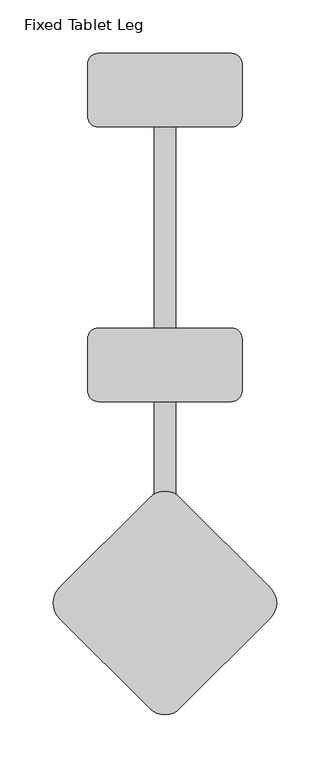
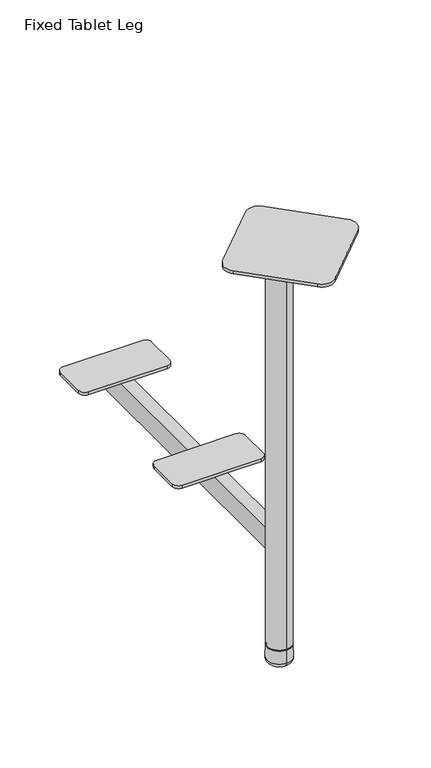
"""IFC4 building model written with IfcOpenShell, lengths in millimetres: furniture geometry, Fixed Tablet Leg."""

import ifcopenshell
import ifcopenshell.guid

model = None  # the IFC model being written
_history = None  # IfcOwnerHistory: only IFC2X3 demands one
_inside = {}  # id of a spatial element -> (the spatial element, [elements in it])
_under = {}  # id of a project, library or spatial element -> (it, [spatial elements below it])
_declared = {}  # id of a project -> (the project, [libraries it declares])
_typed = {}  # id of a type object -> (the type object, [elements of that type])
_made_of = {}  # id of a material, layer set ... -> (it, [elements and type objects made of it])


def new_model(schema):
    """Start an empty IFC model of exactly this schema.

    Asked for "IFC4X3", IfcOpenShell would pick the latest addendum, in which some entities
    have other attributes; the version numbers below select the first issue.
    IFC2X3 requires an IfcOwnerHistory on every rooted entity: one is made here for all.
    """
    global model, _history
    if schema == "IFC4X3":
        model = ifcopenshell.file(schema_version=(4, 3, 0, 0))
    else:
        model = ifcopenshell.file(schema=schema)
    _inside.clear()
    _under.clear()
    _declared.clear()
    _typed.clear()
    _made_of.clear()
    _history = None
    if model.schema == "IFC2X3":
        org = make("IfcOrganization", Name="unknown")
        user = make(
            "IfcPersonAndOrganization",
            ThePerson=make("IfcPerson", FamilyName="unknown"),
            TheOrganization=org,
        )
        app = make(
            "IfcApplication",
            ApplicationDeveloper=org,
            Version="unknown",
            ApplicationFullName="unknown",
            ApplicationIdentifier="unknown",
        )
        _history = make(
            "IfcOwnerHistory",
            OwningUser=user,
            OwningApplication=app,
            ChangeAction="ADDED",
            CreationDate=0,
        )
    return model


def make(cls, **values):
    """One entity of the class cls with the attributes given. An attribute that is None is left unset."""
    return model.create_entity(
        cls, **{name: value for name, value in values.items() if value is not None}
    )


def rooted(cls, **values):
    """An entity with a GlobalId (a new one), such as an element, a storey or a relation."""
    return make(cls, GlobalId=ifcopenshell.guid.new(), OwnerHistory=_history, **values)


def si_unit(unit_type, name, prefix=None):
    """IfcSIUnit, for example si_unit("LENGTHUNIT", "METRE", prefix="MILLI")."""
    return make("IfcSIUnit", UnitType=unit_type, Prefix=prefix, Name=name)


def assignment(units):
    """IfcUnitAssignment: the units of a project."""
    return None if units is None else make("IfcUnitAssignment", Units=units)


def point(xyz):
    """IfcCartesianPoint."""
    return None if xyz is None else make("IfcCartesianPoint", Coordinates=xyz)


def direction(xyz):
    """IfcDirection."""
    return None if xyz is None else make("IfcDirection", DirectionRatios=xyz)


def frame(location, z_axis=None, x_axis=None):
    """IfcAxis2Placement3D, a coordinate frame: its origin and axes. An axis left out is left unset."""
    return make(
        "IfcAxis2Placement3D",
        Location=point(location),
        Axis=direction(z_axis),
        RefDirection=direction(x_axis),
    )


def origin():
    """The frame at (0, 0, 0) with its axes left unset."""
    return frame((0.0, 0.0, 0.0))


def place(relative_to, where):
    """IfcLocalPlacement: puts the frame where relative to a parent placement (None: the world)."""
    return make(
        "IfcLocalPlacement", PlacementRelTo=relative_to, RelativePlacement=where
    )


def context(
    kind, dimensions, precision=None, world=None, true_north=None, identifier=None
):
    """IfcGeometricRepresentationContext, for example the 3D "Model" context."""
    return make(
        "IfcGeometricRepresentationContext",
        ContextIdentifier=identifier,
        ContextType=kind,
        CoordinateSpaceDimension=dimensions,
        Precision=precision,
        WorldCoordinateSystem=world,
        TrueNorth=true_north,
    )


def project(units=None, contexts=None):
    """IfcProject with its units and contexts."""
    return rooted(
        "IfcProject",
        Name="project",
        RepresentationContexts=contexts,
        UnitsInContext=assignment(units),
    )


def spatial(cls, under=None, at=None, **own):
    """A site, building, storey or space (cls), placed at a placement, below another one or the project."""
    s = rooted(cls, ObjectPlacement=at, **own)
    if under is not None:
        _under.setdefault(under.id(), (under, []))[1].append(s)
    return s


def polyline(points):
    """IfcPolyline through the points."""
    return make("IfcPolyline", Points=[point(p) for p in points])


def circle_curve(where, radius):
    """IfcCircle in the frame where."""
    return make("IfcCircle", Position=where, Radius=radius)


def ellipse_curve(where, semi_axis1, semi_axis2):
    """IfcEllipse in the frame where."""
    return make(
        "IfcEllipse", Position=where, SemiAxis1=semi_axis1, SemiAxis2=semi_axis2
    )


def trimmed(basis, trim1, trim2, sense, master):
    """IfcTrimmedCurve: the piece of a basis curve between two trims."""
    return make(
        "IfcTrimmedCurve",
        BasisCurve=basis,
        Trim1=trim1,
        Trim2=trim2,
        SenseAgreement=sense,
        MasterRepresentation=master,
    )


def shape(context_of_items, identifier, shape_type, items):
    """IfcShapeRepresentation: the items that make up one representation, for example the "Body"."""
    return make(
        "IfcShapeRepresentation",
        ContextOfItems=context_of_items,
        RepresentationIdentifier=identifier,
        RepresentationType=shape_type,
        Items=items,
    )


def source(mapping_origin, context_of_items, identifier, shape_type, items):
    """IfcRepresentationMap: a shape defined once, which mapped items show again and again."""
    return make(
        "IfcRepresentationMap",
        MappingOrigin=mapping_origin,
        MappedRepresentation=shape(context_of_items, identifier, shape_type, items),
    )


def transform(
    local_origin,
    x_axis=None,
    y_axis=None,
    z_axis=None,
    scale=None,
    scale2=None,
    scale3=None,
    uniform=True,
):
    """IfcCartesianTransformationOperator3D, or its non-uniform kind. x_axis, y_axis, z_axis: its Axis1, 2, 3."""
    if uniform:
        return make(
            "IfcCartesianTransformationOperator3D",
            Axis1=direction(x_axis),
            Axis2=direction(y_axis),
            LocalOrigin=point(local_origin),
            Scale=scale,
            Axis3=direction(z_axis),
        )
    return make(
        "IfcCartesianTransformationOperator3DnonUniform",
        Axis1=direction(x_axis),
        Axis2=direction(y_axis),
        LocalOrigin=point(local_origin),
        Scale=scale,
        Axis3=direction(z_axis),
        Scale2=scale2,
        Scale3=scale3,
    )


def mapped(mapping_source, mapping_target):
    """IfcMappedItem: shows the shape of a source again, moved by a transform."""
    return make(
        "IfcMappedItem", MappingSource=mapping_source, MappingTarget=mapping_target
    )


def made_of(thing, what):
    """Note that an element or type object is made of a material, layer set ...; save() writes the relation."""
    if what is not None:
        _made_of.setdefault(what.id(), (what, []))[1].append(thing)
    return thing


def element(
    cls,
    number,
    at=None,
    inside=None,
    cuts=None,
    type_object=None,
    material=None,
    context=None,
    identifier="Body",
    shape_type=None,
    held_by="IfcProductDefinitionShape",
    body=None,
    shapes=None,
    **own,
):
    """One element of the class cls, such as IfcWall. Its Tag is "e" and its number.

    at: its placement. inside: the storey or other place that contains it. cuts: it is an
    opening in that element (IfcRelVoidsElement). A single representation is given by context,
    identifier, shape_type and body (its items); several are given by shapes. held_by: the class
    of the entity that holds the representations. save() writes the other relations.
    """
    e = rooted(cls, Tag="e%d" % number, ObjectPlacement=at, **own)
    if body is not None:
        shapes = [shape(context, identifier, shape_type, body)]
    if shapes is not None:
        e.Representation = make(held_by, Representations=shapes)
    if inside is not None:
        _inside.setdefault(inside.id(), (inside, []))[1].append(e)
    if cuts is not None:
        rooted(
            "IfcRelVoidsElement", RelatingBuildingElement=cuts, RelatedOpeningElement=e
        )
    if type_object is not None:
        _typed.setdefault(type_object.id(), (type_object, []))[1].append(e)
    return made_of(e, material)


def aggregate(whole, parts):
    """IfcRelAggregates: a whole, such as a stair, and the parts it consists of."""
    return rooted("IfcRelAggregates", RelatingObject=whole, RelatedObjects=parts)


def save(model, path):
    """Write the relations noted so far, then the file.

    IfcRelAggregates (storeys below a building ...), IfcRelContainedInSpatialStructure (elements
    in a storey), IfcRelDefinesByType, IfcRelAssociatesMaterial and IfcRelDeclares: one each for
    every whole, place, type object, material and project.
    """
    for whole, parts in _under.values():
        aggregate(whole, parts)
    for where, things in _inside.values():
        rooted(
            "IfcRelContainedInSpatialStructure",
            RelatedElements=things,
            RelatingStructure=where,
        )
    for kind, things in _typed.values():
        rooted("IfcRelDefinesByType", RelatedObjects=things, RelatingType=kind)
    for what, things in _made_of.values():
        rooted("IfcRelAssociatesMaterial", RelatedObjects=things, RelatingMaterial=what)
    for by, libraries in _declared.values():
        rooted("IfcRelDeclares", RelatingContext=by, RelatedDefinitions=libraries)
    model.write(path)


def plane_surface(at):
    """IfcPlane: the flat surface through the origin of the frame at, square to its z axis."""
    return make("IfcPlane", Position=at)


def cylinder_surface(at, radius):
    """IfcCylindricalSurface: all points at the distance radius from the z axis of the frame at."""
    return make("IfcCylindricalSurface", Position=at, Radius=radius)


def revolved_surface(curve, axis_point, axis_direction):
    """IfcSurfaceOfRevolution: the curve turned about the line through axis_point along axis_direction."""
    return make(
        "IfcSurfaceOfRevolution",
        SweptCurve=make("IfcArbitraryOpenProfileDef", ProfileType="CURVE", Curve=curve),
        AxisPosition=make("IfcAxis1Placement", Location=point(axis_point), Axis=direction(axis_direction)),
    )


def advanced_brep(points, edges, surfaces, faces):
    """IfcAdvancedBrep: a solid bounded by faces that lie on surfaces and meet in shared edges.

    An edge is (start, end): straight between two places in points (the first is 0);
    or (start, end, curve); or (start, end, curve, False) where it runs against its curve.
    A face is (place in surfaces, loops), or (place, loops, False) where it looks against
    its surface's normal. A loop lists edges by number (the first is 1), with a minus sign
    where the edge is run from its end to its start. The first loop is the outer one.
    """
    corners = [point(p) for p in points]
    vertices = [make("IfcVertexPoint", VertexGeometry=c) for c in corners]
    made = []
    for start, end, *more in edges:
        made.append(
            make(
                "IfcEdgeCurve",
                EdgeStart=vertices[start],
                EdgeEnd=vertices[end],
                EdgeGeometry=more[0] if more else make("IfcPolyline", Points=[corners[start], corners[end]]),
                SameSense=more[1] if len(more) > 1 else True,
            )
        )
    hull = []
    for where, loops, *sense in faces:
        bounds = []
        for j, loop in enumerate(loops):
            ring = [make("IfcOrientedEdge", EdgeElement=made[abs(k) - 1], Orientation=k > 0) for k in loop]
            bounds.append(
                make(
                    "IfcFaceOuterBound" if j == 0 else "IfcFaceBound",
                    Bound=make("IfcEdgeLoop", EdgeList=ring),
                    Orientation=True,
                )
            )
        hull.append(make("IfcAdvancedFace", Bounds=bounds, FaceSurface=surfaces[where], SameSense=sense[0] if sense else True))
    return make("IfcAdvancedBrep", Outer=make("IfcClosedShell", CfsFaces=hull))


def fixed_tablet_leg_6deeebd7(model_context):
    return source(origin(), model_context, "Body", "AdvancedBrep", [
        advanced_brep(
        [(-9.9999852, 16.1555036, 215.0), (0.0, 19.0, 215.0), (9.9999931, 16.1554987, 215.0), (9.9999931, 159.214264, 215.0), (-9.9999852, 159.214264, 215.0), (-9.9999852, 228.2142677, 215.0), (9.9999931, 228.2142677, 215.0), (9.9999931, 417.2142681, 215.0), (-9.9999852, 417.2142681, 215.0), (9.9999931, 486.2142719, 180.000089), (9.9999931, 16.1554987, 180.000089), (0.0, 19.0, 180.000089), (-9.9999852, 16.1555036, 180.000089), (-9.9999852, 486.2142719, 180.000089), (-9.9999852, 486.2142719, 215.0), (-62.5000039, 486.2142719, 215.0), (-62.5000039, 486.2142719, 220.0), (62.5000118, 486.2142719, 220.0), (62.5000118, 486.2142719, 215.0), (9.9999931, 486.2142719, 215.0), (0.0, 18.1241038, 31.1161168), (0.0, -18.1241038, 31.1161168), (0.0, -19.0, 31.1161168), (0.0, 19.0, 31.1161168), (0.0, 18.1241038, 30.149874), (0.0, -18.1241038, 30.149874), (0.0, 18.9666368, 29.3503391), (0.0, -18.9666368, 29.3503391), (0.0, 19.6599601, 7.9476076), (0.0, -19.6599601, 7.9476076), (0.0, 11.9656395, 0.0), (0.0, -11.9656395, 0.0), (0.0, 0.0, 0.0), (0.0, -19.0, 710.0000969), (0.0, 19.0, 710.0000969), (-14.1421513, 68.9949394, 715.0001003), (-98.9949605, -15.8578879, 715.0001003), (-98.9949575, -44.1421592, 715.0001003), (-14.1421483, -128.9949502, 715.0001003), (14.1421214, -128.9949487, 715.0001003), (98.9949124, -44.1421577, 715.0001003), (98.9949155, -15.8578894, 715.0001003), (14.1421244, 68.9949379, 715.0001003), (-14.1421513, 68.9949394, 710.0000969), (14.1421244, 68.9949379, 710.0000969), (98.9949155, -15.8578894, 710.0000969), (98.9949124, -44.1421577, 710.0000969), (14.1421214, -128.9949487, 710.0000969), (-14.1421483, -128.9949502, 710.0000969), (-98.9949575, -44.1421592, 710.0000969), (-98.9949605, -15.8578879, 710.0000969), (62.5, 228.2142677, 220.0), (-62.5000156, 228.2142677, 220.0), (-72.5000156, 218.2142677, 220.0), (-72.5000156, 169.214264, 220.0), (-62.5000156, 159.214264, 220.0), (62.5, 159.214264, 220.0), (72.5, 169.214264, 220.0), (72.5, 218.2142677, 220.0), (62.5, 228.2142677, 215.0), (72.5, 218.2142677, 215.0), (72.5, 169.214264, 215.0), (62.5, 159.214264, 215.0), (-62.5000156, 159.214264, 215.0), (-72.5000156, 169.214264, 215.0), (-72.5000156, 218.2142677, 215.0), (-62.5000156, 228.2142677, 215.0), (-72.5000039, 476.2142719, 220.0), (-72.5000039, 427.2142681, 220.0), (-62.5000039, 417.2142681, 220.0), (62.5000118, 417.2142681, 220.0), (72.5000118, 427.2142681, 220.0), (72.5000118, 476.2142719, 220.0), (72.5000118, 476.2142719, 215.0), (72.5000118, 427.2142681, 215.0), (62.5000118, 417.2142681, 215.0), (-62.5000039, 417.2142681, 215.0), (-72.5000039, 427.2142681, 215.0), (-72.5000039, 476.2142719, 215.0)],
        [
            (0, 1, circle_curve(frame((0.0, 0.0, 215.0), z_axis=(0.0, 0.0, -1.0), x_axis=(0.0, -1.0, 0.0)), 19.0)),
            (1, 2, circle_curve(frame((0.0, 0.0, 215.0), z_axis=(0.0, 0.0, -1.0), x_axis=(0.0, -1.0, 0.0)), 19.0)),
            (2, 3),
            (3, 4),
            (4, 0),
            (5, 6),
            (6, 7),
            (7, 8),
            (8, 5),
            (9, 10),
            (10, 11, circle_curve(frame((0.0, 0.0, 180.000089), z_axis=(0.0, 0.0, 1.0), x_axis=(0.0, -1.0, 0.0)), 19.0)),
            (11, 12, circle_curve(frame((0.0, 0.0, 180.000089), z_axis=(0.0, 0.0, 1.0), x_axis=(0.0, -1.0, 0.0)), 19.0)),
            (12, 13),
            (13, 9),
            (13, 14),
            (14, 15),
            (15, 16),
            (16, 17),
            (17, 18),
            (18, 19),
            (19, 9),
            (12, 0),
            (4, 5),
            (8, 14),
            (19, 7),
            (6, 3),
            (2, 10),
            (20, 21, circle_curve(frame((0.0, 0.0, 31.1161168), z_axis=(0.0, 0.0, 1.0), x_axis=(0.0, -1.0, 0.0)), 18.1241038)),
            (21, 22),
            (22, 23, circle_curve(frame((0.0, 0.0, 31.1161168), z_axis=(0.0, 0.0, -1.0), x_axis=(0.0, -1.0, 0.0)), 19.0)),
            (23, 20),
            (21, 20, circle_curve(frame((0.0, 0.0, 31.1161168), z_axis=(0.0, 0.0, 1.0), x_axis=(0.0, -1.0, 0.0)), 18.1241038)),
            (23, 22, circle_curve(frame((0.0, 0.0, 31.1161168), z_axis=(0.0, 0.0, -1.0), x_axis=(0.0, -1.0, 0.0)), 19.0)),
            (20, 24),
            (24, 25, circle_curve(frame((0.0, 0.0, 30.149874), z_axis=(0.0, 0.0, 1.0), x_axis=(0.0, -1.0, 0.0)), 18.1241038)),
            (25, 21),
            (25, 24, circle_curve(frame((0.0, 0.0, 30.149874), z_axis=(0.0, 0.0, 1.0), x_axis=(0.0, -1.0, 0.0)), 18.1241038)),
            (24, 26),
            (26, 27, circle_curve(frame((0.0, 0.0, 29.3503391), z_axis=(0.0, 0.0, 1.0), x_axis=(0.0, -1.0, 0.0)), 18.9666368)),
            (27, 25),
            (27, 26, circle_curve(frame((0.0, 0.0, 29.3503391), z_axis=(0.0, 0.0, 1.0), x_axis=(0.0, -1.0, 0.0)), 18.9666368)),
            (26, 28),
            (28, 29, circle_curve(frame((0.0, 0.0, 7.9476076), z_axis=(0.0, 0.0, 1.0), x_axis=(0.0, -1.0, 0.0)), 19.6599601)),
            (29, 27),
            (29, 28, circle_curve(frame((0.0, 0.0, 7.9476076), z_axis=(0.0, 0.0, 1.0), x_axis=(0.0, -1.0, 0.0)), 19.6599601)),
            (28, 30, circle_curve(frame((0.0, 11.9656395, 7.6983566), z_axis=(-1.0, 0.0, 0.0), x_axis=(0.0, 1.0, 0.0)), 7.6983566)),
            (30, 31, circle_curve(frame((0.0, 0.0, 0.0), z_axis=(0.0, 0.0, 1.0), x_axis=(0.0, -1.0, 0.0)), 11.9656395)),
            (31, 29, circle_curve(frame((0.0, -11.9656395, 7.6983566), z_axis=(-1.0, 0.0, 0.0), x_axis=(0.0, -1.0, 0.0)), 7.6983566)),
            (31, 30, circle_curve(frame((0.0, 0.0, 0.0), z_axis=(0.0, 0.0, 1.0), x_axis=(0.0, -1.0, 0.0)), 11.9656395)),
            (30, 32),
            (32, 31),
            (22, 33),
            (33, 34, circle_curve(frame((0.0, 0.0, 710.0000969), z_axis=(0.0, 0.0, -1.0), x_axis=(0.0, -1.0, 0.0)), 19.0)),
            (34, 1),
            (11, 23),
            (34, 33, circle_curve(frame((0.0, 0.0, 710.0000969), z_axis=(0.0, 0.0, -1.0), x_axis=(0.0, -1.0, 0.0)), 19.0)),
            (35, 36),
            (36, 37, circle_curve(frame((-84.8528234, -30.000022, 715.0001003), z_axis=(0.0, 0.0, 1.0), x_axis=(1.0, 0.0, 0.0)), 20.0)),
            (37, 38),
            (38, 39, circle_curve(frame((-1.42e-05, -114.852813, 715.0001003), z_axis=(0.0, 0.0, 1.0), x_axis=(1.0, 0.0, 0.0)), 20.0)),
            (39, 40),
            (40, 41, circle_curve(frame((84.8527768, -30.000022, 715.0001003), z_axis=(0.0, 0.0, 1.0), x_axis=(1.0, 0.0, 0.0)), 20.0)),
            (41, 42),
            (42, 35, circle_curve(frame((-1.42e-05, 54.8528053, 715.0001003), z_axis=(0.0, 0.0, 1.0), x_axis=(1.0, 0.0, 0.0)), 20.0)),
            (43, 44, circle_curve(frame((-1.42e-05, 54.8528053, 710.0000969), z_axis=(0.0, 0.0, -1.0), x_axis=(1.0, 0.0, 0.0)), 20.0)),
            (44, 45),
            (45, 46, circle_curve(frame((84.8527768, -30.000022, 710.0000969), z_axis=(0.0, 0.0, -1.0), x_axis=(1.0, 0.0, 0.0)), 20.0)),
            (46, 47),
            (47, 48, circle_curve(frame((-1.42e-05, -114.852813, 710.0000969), z_axis=(0.0, 0.0, -1.0), x_axis=(1.0, 0.0, 0.0)), 20.0)),
            (48, 49),
            (49, 50, circle_curve(frame((-84.8528234, -30.000022, 710.0000969), z_axis=(0.0, 0.0, -1.0), x_axis=(1.0, 0.0, 0.0)), 20.0)),
            (50, 43),
            (35, 43),
            (50, 36),
            (49, 37),
            (48, 38),
            (47, 39),
            (46, 40),
            (45, 41),
            (44, 42),
            (51, 52),
            (52, 53, circle_curve(frame((-62.5000156, 218.2142677, 220.0), z_axis=(0.0, 0.0, 1.0), x_axis=(1.0, 0.0, 0.0)), 10.0)),
            (53, 54),
            (54, 55, circle_curve(frame((-62.5000156, 169.214264, 220.0), z_axis=(0.0, 0.0, 1.0), x_axis=(1.0, 0.0, 0.0)), 10.0)),
            (55, 56),
            (56, 57, circle_curve(frame((62.5, 169.214264, 220.0), z_axis=(0.0, 0.0, 1.0), x_axis=(1.0, 0.0, 0.0)), 10.0)),
            (57, 58),
            (58, 51, circle_curve(frame((62.5, 218.2142677, 220.0), z_axis=(0.0, 0.0, 1.0), x_axis=(1.0, 0.0, 0.0)), 10.0)),
            (59, 60, circle_curve(frame((62.5, 218.2142677, 215.0), z_axis=(0.0, 0.0, -1.0), x_axis=(1.0, 0.0, 0.0)), 10.0)),
            (60, 61),
            (61, 62, circle_curve(frame((62.5, 169.214264, 215.0), z_axis=(0.0, 0.0, -1.0), x_axis=(1.0, 0.0, 0.0)), 10.0)),
            (62, 3),
            (6, 59),
            (63, 64, circle_curve(frame((-62.5000156, 169.214264, 215.0), z_axis=(0.0, 0.0, -1.0), x_axis=(1.0, 0.0, 0.0)), 10.0)),
            (64, 65),
            (65, 66, circle_curve(frame((-62.5000156, 218.2142677, 215.0), z_axis=(0.0, 0.0, -1.0), x_axis=(1.0, 0.0, 0.0)), 10.0)),
            (66, 5),
            (4, 63),
            (51, 59),
            (66, 52),
            (65, 53),
            (64, 54),
            (63, 55),
            (62, 56),
            (61, 57),
            (60, 58),
            (16, 67, circle_curve(frame((-62.5000039, 476.2142719, 220.0), z_axis=(0.0, 0.0, 1.0), x_axis=(1.0, 0.0, 0.0)), 10.0)),
            (67, 68),
            (68, 69, circle_curve(frame((-62.5000039, 427.2142681, 220.0), z_axis=(0.0, 0.0, 1.0), x_axis=(1.0, 0.0, 0.0)), 10.0)),
            (69, 70),
            (70, 71, circle_curve(frame((62.5000118, 427.2142681, 220.0), z_axis=(0.0, 0.0, 1.0), x_axis=(1.0, 0.0, 0.0)), 10.0)),
            (71, 72),
            (72, 17, circle_curve(frame((62.5000118, 476.2142719, 220.0), z_axis=(0.0, 0.0, 1.0), x_axis=(1.0, 0.0, 0.0)), 10.0)),
            (18, 73, circle_curve(frame((62.5000118, 476.2142719, 215.0), z_axis=(0.0, 0.0, -1.0), x_axis=(1.0, 0.0, 0.0)), 10.0)),
            (73, 74),
            (74, 75, circle_curve(frame((62.5000118, 427.2142681, 215.0), z_axis=(0.0, 0.0, -1.0), x_axis=(1.0, 0.0, 0.0)), 10.0)),
            (75, 7),
            (76, 77, circle_curve(frame((-62.5000039, 427.2142681, 215.0), z_axis=(0.0, 0.0, -1.0), x_axis=(1.0, 0.0, 0.0)), 10.0)),
            (77, 78),
            (78, 15, circle_curve(frame((-62.5000039, 476.2142719, 215.0), z_axis=(0.0, 0.0, -1.0), x_axis=(1.0, 0.0, 0.0)), 10.0)),
            (8, 76),
            (78, 67),
            (77, 68),
            (76, 69),
            (75, 70),
            (74, 71),
            (73, 72),
        ],
        [
            plane_surface(frame((-32.940393, 486.2142719, 215.0), z_axis=(0.0, 0.0, 1.0), x_axis=(-1.0, 0.0, 0.0))),
            plane_surface(frame((-32.940393, 486.2142719, 180.000089), z_axis=(0.0, 0.0, -1.0), x_axis=(1.0, 0.0, 0.0))),
            plane_surface(frame((9.9999931, 486.2142719, 215.0), z_axis=(0.0, 1.0, 0.0), x_axis=(0.0, 0.0, -1.0))),
            plane_surface(frame((-9.9999852, 486.2142719, 215.0), z_axis=(-1.0, 0.0, 0.0), x_axis=(0.0, 0.0, -1.0))),
            plane_surface(frame((9.9999931, 16.1554987, 215.0), z_axis=(1.0, 0.0, 0.0), x_axis=(0.0, 0.0, -1.0))),
            plane_surface(frame((0.0, 0.0, 31.1161168), z_axis=(0.0, 0.0, -1.0), x_axis=(0.0, -1.0, 0.0))),
            cylinder_surface(frame((0.0, 0.0, 933.0590979), z_axis=(0.0, 0.0, -1.0), x_axis=(0.0, -1.0, 0.0)), 18.1241038),
            revolved_surface(polyline([(0.0, -18.1241038, 30.149874), (0.0, -18.9666368, 29.3503391)]), (0.0, 0.0, 933.0590979), (0.0, 0.0, -1.0)),
            revolved_surface(polyline([(0.0, -18.9666368, 29.3503391), (0.0, -19.6599601, 7.9476076)]), (0.0, 0.0, 933.0590979), (0.0, 0.0, -1.0)),
            revolved_surface(trimmed(ellipse_curve(frame((0.0, -11.9656395, 7.6983566), z_axis=(1.0, 0.0, 0.0), x_axis=(0.0, -1.0, 0.0)), 7.6983566, 7.6983566), [point((0.0, -19.6599601, 7.9476076))], [point((0.0, -11.9656395, 0.0))], True, "CARTESIAN"), (0.0, 0.0, 933.0590979), (0.0, 0.0, -1.0)),
            plane_surface(frame((0.0, 0.0, 0.0), z_axis=(0.0, 0.0, -1.0), x_axis=(0.0, -1.0, 0.0))),
            cylinder_surface(frame((0.0, 0.0, 933.0590979), z_axis=(0.0, 0.0, -1.0), x_axis=(0.0, -1.0, 0.0)), 19.0),
            plane_surface(frame((-98.9949709, -15.8578983, 715.0001003), z_axis=(0.0, 0.0, 1.0000000000000002), x_axis=(-0.70710670548867, -0.707106856884417, 0.0))),
            plane_surface(frame((-98.9949709, -15.8578983, 710.0000969), z_axis=(0.0, 0.0, -1.0000000000000002), x_axis=(0.70710670548867, 0.707106856884417, 0.0))),
            plane_surface(frame((-14.1421513, 68.9949394, 715.0001003), z_axis=(-0.707106856884417, 0.70710670548867, 0.0), x_axis=(0.0, 0.0, -1.0))),
            cylinder_surface(frame((-84.8528234, -30.000022, 710.0000969), z_axis=(0.0, 0.0, 1.0), x_axis=(1.0, 0.0, 0.0)), 20.0),
            plane_surface(frame((-98.9949575, -44.1421592, 715.0001003), z_axis=(-0.7071067054886538, -0.7071068568844331, 0.0), x_axis=(0.0, 0.0, -1.0))),
            cylinder_surface(frame((-1.42e-05, -114.852813, 710.0000969), z_axis=(0.0, 0.0, 1.0), x_axis=(1.0, 0.0, 0.0)), 20.0),
            plane_surface(frame((14.1421214, -128.9949487, 715.0001003), z_axis=(0.7071067811865475, -0.7071067811865477, 0.0), x_axis=(0.0, 0.0, -1.0))),
            cylinder_surface(frame((84.8527768, -30.000022, 710.0000969), z_axis=(0.0, 0.0, 1.0), x_axis=(1.0, 0.0, 0.0)), 20.0),
            plane_surface(frame((98.9949155, -15.8578894, 715.0001003), z_axis=(0.7071069325822946, 0.707106629790768, 0.0), x_axis=(0.0, 0.0, -1.0))),
            cylinder_surface(frame((-1.42e-05, 54.8528053, 710.0000969), z_axis=(0.0, 0.0, 1.0), x_axis=(1.0, 0.0, 0.0)), 20.0),
            plane_surface(frame((-57.5467133, 228.2142677, 220.0), z_axis=(0.0, 0.0, 1.0), x_axis=(-1.0, 0.0, 0.0))),
            plane_surface(frame((-57.5467133, 228.2142677, 215.0), z_axis=(0.0, 0.0, -1.0), x_axis=(1.0, 0.0, 0.0))),
            plane_surface(frame((62.5, 228.2142677, 220.0), z_axis=(0.0, 1.0, 0.0), x_axis=(0.0, 0.0, -1.0))),
            cylinder_surface(frame((-62.5000156, 218.2142677, 215.0), z_axis=(0.0, 0.0, 1.0), x_axis=(1.0, 0.0, 0.0)), 10.0),
            plane_surface(frame((-72.5000156, 218.2142677, 220.0), z_axis=(-1.0, 0.0, 0.0), x_axis=(0.0, 0.0, -1.0))),
            cylinder_surface(frame((-62.5000156, 169.214264, 215.0), z_axis=(0.0, 0.0, 1.0), x_axis=(1.0, 0.0, 0.0)), 10.0),
            plane_surface(frame((-62.5000156, 159.214264, 220.0), z_axis=(0.0, -1.0, 0.0), x_axis=(0.0, 0.0, -1.0))),
            cylinder_surface(frame((62.5, 169.214264, 215.0), z_axis=(0.0, 0.0, 1.0), x_axis=(1.0, 0.0, 0.0)), 10.0),
            plane_surface(frame((72.5, 169.214264, 220.0), z_axis=(1.0, 0.0, 0.0), x_axis=(0.0, 0.0, -1.0))),
            cylinder_surface(frame((62.5, 218.2142677, 215.0), z_axis=(0.0, 0.0, 1.0), x_axis=(1.0, 0.0, 0.0)), 10.0),
            plane_surface(frame((-57.5467015, 486.2142719, 220.0), z_axis=(0.0, 0.0, 1.0), x_axis=(-1.0, 0.0, 0.0))),
            plane_surface(frame((-57.5467015, 486.2142719, 215.0), z_axis=(0.0, 0.0, -1.0), x_axis=(1.0, 0.0, 0.0))),
            cylinder_surface(frame((-62.5000039, 476.2142719, 215.0), z_axis=(0.0, 0.0, 1.0), x_axis=(1.0, 0.0, 0.0)), 10.0),
            plane_surface(frame((-72.5000039, 476.2142719, 220.0), z_axis=(-1.0, 0.0, 0.0), x_axis=(0.0, 0.0, -1.0))),
            cylinder_surface(frame((-62.5000039, 427.2142681, 215.0), z_axis=(0.0, 0.0, 1.0), x_axis=(1.0, 0.0, 0.0)), 10.0),
            plane_surface(frame((-62.5000039, 417.2142681, 220.0), z_axis=(0.0, -1.0, 0.0), x_axis=(0.0, 0.0, -1.0))),
            cylinder_surface(frame((62.5000118, 427.2142681, 215.0), z_axis=(0.0, 0.0, 1.0), x_axis=(1.0, 0.0, 0.0)), 10.0),
            plane_surface(frame((72.5000118, 427.2142681, 220.0), z_axis=(1.0, 0.0, 0.0), x_axis=(0.0, 0.0, -1.0))),
            cylinder_surface(frame((62.5000118, 476.2142719, 215.0), z_axis=(0.0, 0.0, 1.0), x_axis=(1.0, 0.0, 0.0)), 10.0),
        ],
        [
            (0, [[1, 2, 3, 4, 5]]),
            (0, [[6, 7, 8, 9]]),
            (1, [[10, 11, 12, 13, 14]]),
            (2, [[-14, 15, 16, 17, 18, 19, 20, 21]]),
            (3, [[-13, 22, -5, 23, -9, 24, -15]]),
            (4, [[-10, -21, 25, -7, 26, -3, 27]]),
            (5, [[28, 29, 30, 31]]),
            (5, [[-29, 32, -31, 33]]),
            (6, [[-28, 34, 35, 36]]),
            (6, [[-32, -36, 37, -34]]),
            (7, [[-35, 38, 39, 40]]),
            (7, [[-37, -40, 41, -38]]),
            (8, [[-39, 42, 43, 44]]),
            (8, [[-41, -44, 45, -42]]),
            (9, [[-43, 46, 47, 48]]),
            (9, [[-45, -48, 49, -46]]),
            (10, [[-47, 50, 51]]),
            (10, [[-49, -51, -50]]),
            (11, [[-30, 52, 53, 54, -1, -22, -12, 55]]),
            (11, [[-33, -55, -11, -27, -2, -54, 56, -52]]),
            (12, [[57, 58, 59, 60, 61, 62, 63, 64]]),
            (13, [[65, 66, 67, 68, 69, 70, 71, 72], [-53, -56]]),
            (14, [[-57, 73, -72, 74]]),
            (15, [[-58, -74, -71, 75]]),
            (16, [[-59, -75, -70, 76]]),
            (17, [[-60, -76, -69, 77]]),
            (18, [[-61, -77, -68, 78]]),
            (19, [[-62, -78, -67, 79]]),
            (20, [[-63, -79, -66, 80]]),
            (21, [[-64, -80, -65, -73]]),
            (22, [[81, 82, 83, 84, 85, 86, 87, 88]]),
            (23, [[89, 90, 91, 92, -26, 93]]),
            (23, [[94, 95, 96, 97, -23, 98]]),
            (24, [[-81, 99, -93, -6, -97, 100]]),
            (25, [[-82, -100, -96, 101]]),
            (26, [[-83, -101, -95, 102]]),
            (27, [[-84, -102, -94, 103]]),
            (28, [[-85, -103, -98, -4, -92, 104]]),
            (29, [[-86, -104, -91, 105]]),
            (30, [[-87, -105, -90, 106]]),
            (31, [[-88, -106, -89, -99]]),
            (32, [[-18, 107, 108, 109, 110, 111, 112, 113]]),
            (33, [[114, 115, 116, 117, -25, -20]]),
            (33, [[118, 119, 120, -16, -24, 121]]),
            (34, [[-107, -17, -120, 122]]),
            (35, [[-108, -122, -119, 123]]),
            (36, [[-109, -123, -118, 124]]),
            (37, [[-110, -124, -121, -8, -117, 125]]),
            (38, [[-111, -125, -116, 126]]),
            (39, [[-112, -126, -115, 127]]),
            (40, [[-113, -127, -114, -19]]),
        ],
    ),
    ])


if __name__ == "__main__":
    model = new_model("IFC4")
    model_context = context("Model", 3, world=origin())
    ifc_project = project(units=[si_unit("LENGTHUNIT", "METRE", prefix="MILLI")], contexts=[model_context])
    site = spatial("IfcSite", under=ifc_project)
    building = spatial("IfcBuilding", under=site)
    placement = place(None, origin())
    fixed_tablet_leg_shape = fixed_tablet_leg_6deeebd7(model_context)
    element("IfcFurniture", 1, ObjectType="Fixed Tablet Leg", at=placement, inside=building, context=model_context, shape_type="MappedRepresentation", body=[
        mapped(fixed_tablet_leg_shape, transform((0.0, 0.0, 0.0), x_axis=(1.0, 0.0, 0.0), y_axis=(0.0, 1.0, 0.0), z_axis=(0.0, 0.0, 1.0))),
    ])
    save(model, "model.ifc")
